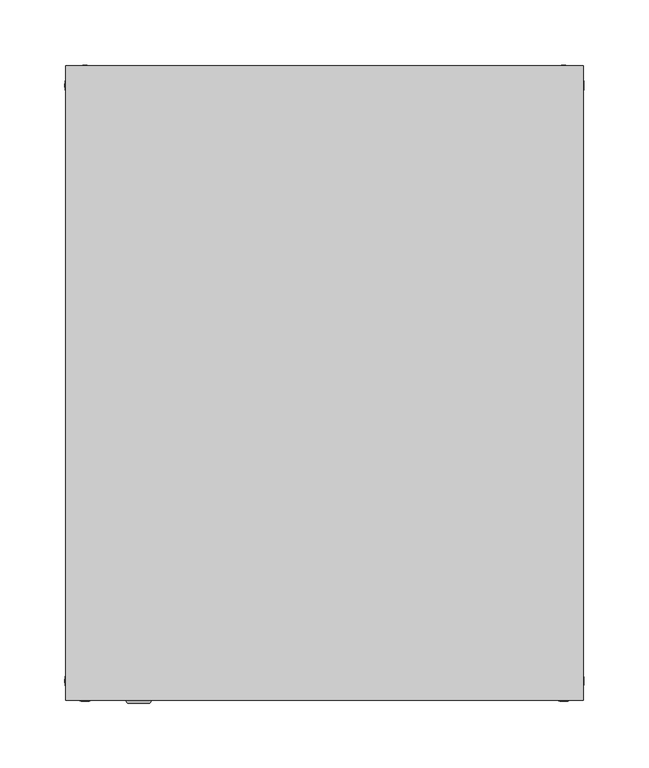
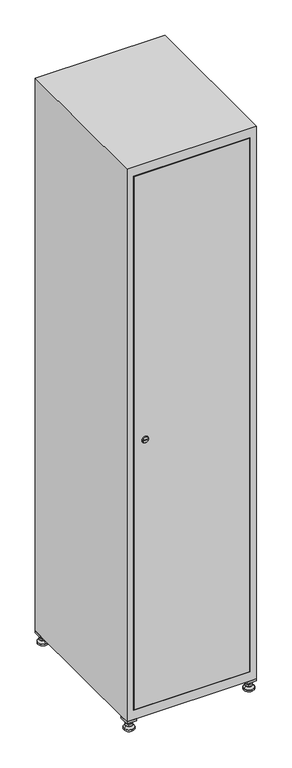
"""IFC4 building model written with IfcOpenShell, lengths in millimetres: furniture geometry."""

from ifc_helpers import new_model, si_unit, point, frame, frame_2d, origin, origin_with_axes, place, context, project, spatial, polyline, circle_curve, trimmed, segment, composite_curve, outline, extrude, faceted_brep, source, transform, mapped, element, save
from ifc_brep_helpers import plane_surface, revolved_surface, advanced_brep


def furniture_96ce3fd4(model_context):
    return source(origin(), model_context, "Body", "SolidModel", [
        extrude(outline(polyline([(200.0, 245.0), (200.0, 215.0), (170.0, 215.0), (170.0, 245.0), (200.0, 245.0)]), holes=[polyline([(198.0, 243.0), (172.0, 243.0), (172.0, 217.0), (198.0, 217.0), (198.0, 243.0)])]), frame((0.0, 0.0, 28.5), z_axis=(0.0, 0.0, 1.0), x_axis=(1.0, 0.0, 0.0)), (0.0, 0.0, 1.0), 6.5),
        extrude(outline(polyline([(170.0, -245.0), (170.0, -215.0), (200.0, -215.0), (200.0, -245.0), (170.0, -245.0)]), holes=[polyline([(172.0, -243.0), (198.0, -243.0), (198.0, -217.0), (172.0, -217.0), (172.0, -243.0)])]), frame((0.0, 0.0, 28.5), z_axis=(0.0, 0.0, 1.0), x_axis=(1.0, 0.0, 0.0)), (0.0, 0.0, 1.0), 6.5),
        extrude(outline(polyline([(-170.0, 245.0), (-170.0, 215.0), (-200.0, 215.0), (-200.0, 245.0), (-170.0, 245.0)]), holes=[polyline([(-172.0, 243.0), (-198.0, 243.0), (-198.0, 217.0), (-172.0, 217.0), (-172.0, 243.0)])]), frame((0.0, 0.0, 28.5), z_axis=(0.0, 0.0, 1.0), x_axis=(1.0, 0.0, 0.0)), (0.0, 0.0, 1.0), 6.5),
        extrude(outline(polyline([(-170.0, -215.0), (-170.0, -245.0), (-200.0, -245.0), (-200.0, -215.0), (-170.0, -215.0)]), holes=[polyline([(-198.0, -243.0), (-172.0, -243.0), (-172.0, -217.0), (-198.0, -217.0), (-198.0, -243.0)])]), frame((0.0, 0.0, 28.5), z_axis=(0.0, 0.0, 1.0), x_axis=(1.0, 0.0, 0.0)), (0.0, 0.0, 1.0), 6.5),
        extrude(outline(composite_curve([segment(trimmed(circle_curve(frame_2d((-185.0, 230.0)), 5.0), [point((-180.0, 230.0))], [point((-190.0, 230.0))], False, "CARTESIAN"), True, "CONTINUOUS"), segment(trimmed(circle_curve(frame_2d((-185.0, 230.0)), 5.0), [point((-190.0, 230.0))], [point((-180.0, 230.0))], False, "CARTESIAN"), True, "CONTINUOUS")], self_intersect=False)), frame((0.0, 0.0, 19.6), z_axis=(0.0, 0.0, 1.0), x_axis=(1.0, 0.0, 0.0)), (0.0, 0.0, 1.0), 15.4),
        extrude(outline(composite_curve([segment(trimmed(circle_curve(frame_2d((-185.0, -230.0)), 5.0), [point((-180.0, -230.0))], [point((-190.0, -230.0))], False, "CARTESIAN"), True, "CONTINUOUS"), segment(trimmed(circle_curve(frame_2d((-185.0, -230.0)), 5.0), [point((-190.0, -230.0))], [point((-180.0, -230.0))], False, "CARTESIAN"), True, "CONTINUOUS")], self_intersect=False)), frame((0.0, 0.0, 19.6), z_axis=(0.0, 0.0, 1.0), x_axis=(1.0, 0.0, 0.0)), (0.0, 0.0, 1.0), 15.4),
        extrude(outline(composite_curve([segment(trimmed(circle_curve(frame_2d((185.0, 230.0)), 5.0), [point((190.0, 230.0))], [point((180.0, 230.0))], False, "CARTESIAN"), True, "CONTINUOUS"), segment(trimmed(circle_curve(frame_2d((185.0, 230.0)), 5.0), [point((180.0, 230.0))], [point((190.0, 230.0))], False, "CARTESIAN"), True, "CONTINUOUS")], self_intersect=False)), frame((0.0, 0.0, 19.6), z_axis=(0.0, 0.0, 1.0), x_axis=(1.0, 0.0, 0.0)), (0.0, 0.0, 1.0), 15.4),
        extrude(outline(polyline([(173.4529946, 230.0), (179.2264973, 240.0), (190.7735027, 240.0), (196.5470054, 230.0), (190.7735027, 220.0), (179.2264973, 220.0), (173.4529946, 230.0)])), frame((0.0, 0.0, 13.6), z_axis=(0.0, 0.0, 1.0), x_axis=(1.0, 0.0, 0.0)), (0.0, 0.0, 1.0), 6.0),
        extrude(outline(composite_curve([segment(trimmed(circle_curve(frame_2d((185.0, -230.0)), 5.0), [point((190.0, -230.0))], [point((180.0, -230.0))], False, "CARTESIAN"), True, "CONTINUOUS"), segment(trimmed(circle_curve(frame_2d((185.0, -230.0)), 5.0), [point((180.0, -230.0))], [point((190.0, -230.0))], False, "CARTESIAN"), True, "CONTINUOUS")], self_intersect=False)), frame((0.0, 0.0, 19.6), z_axis=(0.0, 0.0, 1.0), x_axis=(1.0, 0.0, 0.0)), (0.0, 0.0, 1.0), 15.4),
        extrude(outline(polyline([(173.4529946, -230.0), (179.2264973, -220.0), (190.7735027, -220.0), (196.5470054, -230.0), (190.7735027, -240.0), (179.2264973, -240.0), (173.4529946, -230.0)])), frame((0.0, 0.0, 13.6), z_axis=(0.0, 0.0, 1.0), x_axis=(1.0, 0.0, 0.0)), (0.0, 0.0, 1.0), 6.0),
        extrude(outline(composite_curve([segment(trimmed(circle_curve(frame_2d((185.0, 230.0)), 5.0), [point((190.0, 230.0))], [point((180.0, 230.0))], False, "CARTESIAN"), True, "CONTINUOUS"), segment(trimmed(circle_curve(frame_2d((185.0, 230.0)), 5.0), [point((180.0, 230.0))], [point((190.0, 230.0))], False, "CARTESIAN"), True, "CONTINUOUS")], self_intersect=False)), frame((0.0, 0.0, 12.1), z_axis=(0.0, 0.0, 1.0), x_axis=(1.0, 0.0, 0.0)), (0.0, 0.0, 1.0), 1.5),
        extrude(outline(composite_curve([segment(trimmed(circle_curve(frame_2d((185.0, -230.0)), 5.0), [point((190.0, -230.0))], [point((180.0, -230.0))], False, "CARTESIAN"), True, "CONTINUOUS"), segment(trimmed(circle_curve(frame_2d((185.0, -230.0)), 5.0), [point((180.0, -230.0))], [point((190.0, -230.0))], False, "CARTESIAN"), True, "CONTINUOUS")], self_intersect=False)), frame((0.0, 0.0, 12.1), z_axis=(0.0, 0.0, 1.0), x_axis=(1.0, 0.0, 0.0)), (0.0, 0.0, 1.0), 1.5),
        extrude(outline(polyline([(-196.5470054, 230.0), (-190.7735027, 240.0), (-179.2264973, 240.0), (-173.4529946, 230.0), (-179.2264973, 220.0), (-190.7735027, 220.0), (-196.5470054, 230.0)])), frame((0.0, 0.0, 13.6), z_axis=(0.0, 0.0, 1.0), x_axis=(1.0, 0.0, 0.0)), (0.0, 0.0, 1.0), 6.0),
        extrude(outline(polyline([(-196.5470054, -230.0), (-190.7735027, -220.0), (-179.2264973, -220.0), (-173.4529946, -230.0), (-179.2264973, -240.0), (-190.7735027, -240.0), (-196.5470054, -230.0)])), frame((0.0, 0.0, 13.6), z_axis=(0.0, 0.0, 1.0), x_axis=(1.0, 0.0, 0.0)), (0.0, 0.0, 1.0), 6.0),
        extrude(outline(composite_curve([segment(trimmed(circle_curve(frame_2d((-185.0, 230.0)), 5.0), [point((-185.0, 235.0))], [point((-185.0, 225.0))], False, "CARTESIAN"), True, "CONTINUOUS"), segment(trimmed(circle_curve(frame_2d((-185.0, 230.0)), 5.0), [point((-185.0, 225.0))], [point((-185.0, 235.0))], False, "CARTESIAN"), True, "CONTINUOUS")], self_intersect=False)), frame((0.0, 0.0, 12.1), z_axis=(0.0, 0.0, 1.0), x_axis=(1.0, 0.0, 0.0)), (0.0, 0.0, 1.0), 1.5),
        extrude(outline(composite_curve([segment(trimmed(circle_curve(frame_2d((-185.0, -230.0)), 5.0), [point((-180.0, -230.0))], [point((-190.0, -230.0))], False, "CARTESIAN"), True, "CONTINUOUS"), segment(trimmed(circle_curve(frame_2d((-185.0, -230.0)), 5.0), [point((-190.0, -230.0))], [point((-180.0, -230.0))], False, "CARTESIAN"), True, "CONTINUOUS")], self_intersect=False)), frame((0.0, 0.0, 12.1), z_axis=(0.0, 0.0, 1.0), x_axis=(1.0, 0.0, 0.0)), (0.0, 0.0, 1.0), 1.5),
        extrude(outline(composite_curve([segment(trimmed(circle_curve(frame_2d((185.0, 230.0)), 15.75), [point((200.75, 230.0))], [point((169.25, 230.0))], False, "CARTESIAN"), True, "CONTINUOUS"), segment(trimmed(circle_curve(frame_2d((185.0, 230.0)), 15.75), [point((169.25, 230.0))], [point((200.75, 230.0))], False, "CARTESIAN"), True, "CONTINUOUS")], self_intersect=False)), origin_with_axes(), (0.0, 0.0, 1.0), 5.1),
        extrude(outline(composite_curve([segment(trimmed(circle_curve(frame_2d((185.0, -230.0)), 15.75), [point((185.0, -214.25))], [point((185.0, -245.75))], False, "CARTESIAN"), True, "CONTINUOUS"), segment(trimmed(circle_curve(frame_2d((185.0, -230.0)), 15.75), [point((185.0, -245.75))], [point((185.0, -214.25))], False, "CARTESIAN"), True, "CONTINUOUS")], self_intersect=False)), origin_with_axes(), (0.0, 0.0, 1.0), 5.1),
        extrude(outline(composite_curve([segment(trimmed(circle_curve(frame_2d((-185.0, -230.0)), 15.75), [point((-169.25, -230.0))], [point((-200.75, -230.0))], False, "CARTESIAN"), True, "CONTINUOUS"), segment(trimmed(circle_curve(frame_2d((-185.0, -230.0)), 15.75), [point((-200.75, -230.0))], [point((-169.25, -230.0))], False, "CARTESIAN"), True, "CONTINUOUS")], self_intersect=False)), origin_with_axes(), (0.0, 0.0, 1.0), 5.1),
        extrude(outline(composite_curve([segment(trimmed(circle_curve(frame_2d((-185.0, 230.0)), 15.75), [point((-169.25, 230.0))], [point((-200.75, 230.0))], False, "CARTESIAN"), True, "CONTINUOUS"), segment(trimmed(circle_curve(frame_2d((-185.0, 230.0)), 15.75), [point((-200.75, 230.0))], [point((-169.25, 230.0))], False, "CARTESIAN"), True, "CONTINUOUS")], self_intersect=False)), origin_with_axes(), (0.0, 0.0, 1.0), 5.1),
        advanced_brep(
        [(-185.0, 245.75, 5.1), (-185.0, 214.25, 5.1), (-185.0, 239.5, 12.1), (-185.0, 220.5, 12.1)],
        [
            (0, 1, circle_curve(frame((-185.0, 230.0, 5.1), z_axis=(0.0, 0.0, -1.0), x_axis=(0.0, 1.0, 0.0)), 15.75)),
            (1, 0, circle_curve(frame((-185.0, 230.0, 5.1), z_axis=(0.0, 0.0, -1.0), x_axis=(0.0, -1.0, 0.0)), 15.75)),
            (2, 3, circle_curve(frame((-185.0, 230.0, 12.1), z_axis=(0.0, 0.0, 1.0), x_axis=(0.0, -1.0, 0.0)), 9.5)),
            (3, 2, circle_curve(frame((-185.0, 230.0, 12.1), z_axis=(0.0, 0.0, 1.0), x_axis=(0.0, 1.0, 0.0)), 9.5)),
            (3, 1),
            (0, 2),
        ],
        [
            plane_surface(frame((-185.0, 230.0, 5.1), z_axis=(0.0, 0.0, -1.0), x_axis=(1.0, 0.0, 0.0))),
            plane_surface(frame((-185.0, 230.0, 12.1), z_axis=(0.0, 0.0, 1.0), x_axis=(1.0, 0.0, 0.0))),
            revolved_surface(polyline([(-185.0, 220.5, 12.099999999999998), (-185.0, 214.25, 5.099999999999998)]), (-185.0, 230.0, 22.74), (0.0, 0.0, -1.0)),
            revolved_surface(polyline([(-185.0, 239.5, 12.099999999999998), (-185.0, 245.75, 5.099999999999998)]), (-185.0, 230.0, 22.74), (0.0, 0.0, -1.0)),
        ],
        [
            (0, [[1, 2]]),
            (1, [[3, 4]]),
            (2, [[-4, 5, -1, 6]]),
            (3, [[-3, -6, -2, -5]]),
        ],
    ),
        advanced_brep(
        [(185.0, 245.75, 5.1), (185.0, 214.25, 5.1), (185.0, 239.5, 12.1), (185.0, 220.5, 12.1)],
        [
            (0, 1, circle_curve(frame((185.0, 230.0, 5.1), z_axis=(0.0, 0.0, -1.0), x_axis=(0.0, 1.0, 0.0)), 15.75)),
            (1, 0, circle_curve(frame((185.0, 230.0, 5.1), z_axis=(0.0, 0.0, -1.0), x_axis=(0.0, -1.0, 0.0)), 15.75)),
            (2, 3, circle_curve(frame((185.0, 230.0, 12.1), z_axis=(0.0, 0.0, 1.0), x_axis=(0.0, -1.0, 0.0)), 9.5)),
            (3, 2, circle_curve(frame((185.0, 230.0, 12.1), z_axis=(0.0, 0.0, 1.0), x_axis=(0.0, 1.0, 0.0)), 9.5)),
            (3, 1),
            (0, 2),
        ],
        [
            plane_surface(frame((185.0, 230.0, 5.1), z_axis=(0.0, 0.0, -1.0), x_axis=(1.0, 0.0, 0.0))),
            plane_surface(frame((185.0, 230.0, 12.1), z_axis=(0.0, 0.0, 1.0), x_axis=(1.0, 0.0, 0.0))),
            revolved_surface(polyline([(185.0, 220.5, 12.099999999999998), (185.0, 214.25, 5.099999999999998)]), (185.0, 230.0, 22.74), (0.0, 0.0, -1.0)),
            revolved_surface(polyline([(185.0, 239.5, 12.099999999999998), (185.0, 245.75, 5.099999999999998)]), (185.0, 230.0, 22.74), (0.0, 0.0, -1.0)),
        ],
        [
            (0, [[1, 2]]),
            (1, [[3, 4]]),
            (2, [[-4, 5, -1, 6]]),
            (3, [[-3, -6, -2, -5]]),
        ],
    ),
        advanced_brep(
        [(194.5, -230.0, 12.1), (175.5, -230.0, 12.1), (200.75, -230.0, 5.1), (169.25, -230.0, 5.1)],
        [
            (0, 1, circle_curve(frame((185.0, -230.0, 12.1), z_axis=(0.0, 0.0, 1.0), x_axis=(1.0, 0.0, 0.0)), 9.5)),
            (1, 0, circle_curve(frame((185.0, -230.0, 12.1), z_axis=(0.0, 0.0, 1.0), x_axis=(-1.0, 0.0, 0.0)), 9.5)),
            (2, 3, circle_curve(frame((185.0, -230.0, 5.1), z_axis=(0.0, 0.0, -1.0), x_axis=(-1.0, 0.0, 0.0)), 15.75)),
            (3, 2, circle_curve(frame((185.0, -230.0, 5.1), z_axis=(0.0, 0.0, -1.0), x_axis=(1.0, 0.0, 0.0)), 15.75)),
            (3, 1),
            (0, 2),
        ],
        [
            plane_surface(frame((185.0, -230.0, 12.1), z_axis=(0.0, 0.0, 1.0), x_axis=(0.0, 1.0, 0.0))),
            plane_surface(frame((185.0, -230.0, 5.1), z_axis=(0.0, 0.0, -1.0), x_axis=(0.0, 1.0, 0.0))),
            revolved_surface(polyline([(194.5, -230.0, 12.099999999999998), (200.75, -230.0, 5.099999999999998)]), (185.0, -230.0, 22.74), (0.0, 0.0, -1.0)),
            revolved_surface(polyline([(175.5, -230.0, 12.099999999999998), (169.25, -230.0, 5.099999999999998)]), (185.0, -230.0, 22.74), (0.0, 0.0, -1.0)),
        ],
        [
            (0, [[1, 2]]),
            (1, [[3, 4]]),
            (2, [[-4, 5, -1, 6]]),
            (3, [[-3, -6, -2, -5]]),
        ],
    ),
        advanced_brep(
        [(-175.5, -230.0, 12.1), (-194.5, -230.0, 12.1), (-169.25, -230.0, 5.1), (-200.75, -230.0, 5.1)],
        [
            (0, 1, circle_curve(frame((-185.0, -230.0, 12.1), z_axis=(0.0, 0.0, 1.0), x_axis=(1.0, 0.0, 0.0)), 9.5)),
            (1, 0, circle_curve(frame((-185.0, -230.0, 12.1), z_axis=(0.0, 0.0, 1.0), x_axis=(-1.0, 0.0, 0.0)), 9.5)),
            (2, 3, circle_curve(frame((-185.0, -230.0, 5.1), z_axis=(0.0, 0.0, -1.0), x_axis=(-1.0, 0.0, 0.0)), 15.75)),
            (3, 2, circle_curve(frame((-185.0, -230.0, 5.1), z_axis=(0.0, 0.0, -1.0), x_axis=(1.0, 0.0, 0.0)), 15.75)),
            (3, 1),
            (0, 2),
        ],
        [
            plane_surface(frame((-185.0, -230.0, 12.1), z_axis=(0.0, 0.0, 1.0), x_axis=(0.0, 1.0, 0.0))),
            plane_surface(frame((-185.0, -230.0, 5.1), z_axis=(0.0, 0.0, -1.0), x_axis=(0.0, 1.0, 0.0))),
            revolved_surface(polyline([(-175.5, -230.0, 12.099999999999998), (-169.25, -230.0, 5.099999999999998)]), (-185.0, -230.0, 22.74), (0.0, 0.0, -1.0)),
            revolved_surface(polyline([(-194.5, -230.0, 12.099999999999998), (-200.75, -230.0, 5.099999999999998)]), (-185.0, -230.0, 22.74), (0.0, 0.0, -1.0)),
        ],
        [
            (0, [[1, 2]]),
            (1, [[3, 4]]),
            (2, [[-4, 5, -1, 6]]),
            (3, [[-3, -6, -2, -5]]),
        ],
    ),
        extrude(outline(composite_curve([segment(trimmed(circle_curve(frame_2d((935.0, -170.3989466)), 7.0), [point((942.0, -170.3989466))], [point((928.0, -170.3989466))], False, "CARTESIAN"), True, "CONTINUOUS"), segment(polyline([(928.0, -170.3989466), (928.0, -142.3989466)]), True, "CONTINUOUS"), segment(trimmed(circle_curve(frame_2d((935.0, -142.3989466)), 7.0), [point((928.0, -142.3989466))], [point((942.0, -142.3989466))], False, "CARTESIAN"), True, "CONTINUOUS"), segment(polyline([(942.0, -142.3989466), (942.0, -170.3989466)]), True, "CONTINUOUS")], self_intersect=False)), frame((0.0, -227.0, 0.0), z_axis=(0.0, 1.0, 0.0), x_axis=(0.0, 0.0, 1.0)), (0.0, 0.0, 1.0), 2.0),
        advanced_brep(
        [(-135.1, -247.2, 935.0), (-152.1, -247.2, 935.0), (-148.6, -247.2, 933.75), (-148.6, -247.2, 936.25), (-138.6, -247.2, 936.25), (-138.6, -247.2, 933.75), (-133.1, -245.0, 935.0), (-154.1, -245.0, 935.0), (-148.6, -245.0, 936.25), (-148.6, -245.0, 933.75), (-138.6, -245.0, 933.75), (-138.6, -245.0, 936.25)],
        [
            (0, 1, circle_curve(frame((-143.6, -247.2, 935.0), z_axis=(0.0, -1.0, 0.0), x_axis=(1.0, 0.0, 0.0)), 8.5)),
            (1, 0, circle_curve(frame((-143.6, -247.2, 935.0), z_axis=(0.0, -1.0, 0.0), x_axis=(-1.0, 0.0, 0.0)), 8.5)),
            (2, 3),
            (3, 4),
            (4, 5),
            (5, 2),
            (6, 7, circle_curve(frame((-143.6, -245.0, 935.0), z_axis=(0.0, 1.0, 0.0), x_axis=(-1.0, 0.0, 0.0)), 10.5)),
            (7, 6, circle_curve(frame((-143.6, -245.0, 935.0), z_axis=(0.0, 1.0, 0.0), x_axis=(1.0, 0.0, 0.0)), 10.5)),
            (8, 9),
            (9, 10),
            (10, 11),
            (11, 8),
            (0, 6),
            (7, 1),
            (8, 3),
            (2, 9),
            (11, 4),
            (10, 5),
        ],
        [
            plane_surface(frame((-143.6, -247.2, 935.0), z_axis=(0.0, -1.0, 0.0), x_axis=(0.0, 0.0, 1.0))),
            plane_surface(frame((-143.6, -245.0, 935.0), z_axis=(0.0, 1.0, 0.0), x_axis=(0.0, 0.0, 1.0))),
            revolved_surface(polyline([(-135.1, -247.2, 935.0), (-133.1, -245.0, 935.0)]), (-143.6, -256.55, 935.0), (0.0, 1.0, 0.0)),
            revolved_surface(polyline([(-152.1, -247.2, 935.0), (-154.1, -245.0, 935.0)]), (-143.6, -256.55, 935.0), (0.0, 1.0, 0.0)),
            plane_surface(frame((-148.6, -245.0, 933.75), z_axis=(1.0, 0.0, 0.0), x_axis=(0.0, -1.0, 0.0))),
            plane_surface(frame((-148.6, -245.0, 936.25), z_axis=(0.0, 0.0, -1.0), x_axis=(0.0, -1.0, 0.0))),
            plane_surface(frame((-138.6, -245.0, 936.25), z_axis=(-1.0, 0.0, 0.0), x_axis=(0.0, -1.0, 0.0))),
            plane_surface(frame((-138.6, -245.0, 933.75), z_axis=(0.0, 0.0, 1.0), x_axis=(0.0, -1.0, 0.0))),
        ],
        [
            (0, [[1, 2], [3, 4, 5, 6]]),
            (1, [[7, 8], [9, 10, 11, 12]]),
            (2, [[-1, 13, -8, 14]]),
            (3, [[-2, -14, -7, -13]]),
            (4, [[15, -3, 16, -9]]),
            (5, [[-15, -12, 17, -4]]),
            (6, [[-17, -11, 18, -5]]),
            (7, [[-16, -6, -18, -10]]),
        ],
    ),
        extrude(outline(polyline([(178.6, -227.0), (178.6, -245.0), (-178.6, -245.0), (-178.6, -227.0), (178.6, -227.0)])), frame((0.0, 0.0, 66.2), z_axis=(0.0, 0.0, 1.0), x_axis=(1.0, 0.0, 0.0)), (0.0, 0.0, 1.0), 1737.6),
        faceted_brep([(200.0, -245.0, 35.0), (200.0, -245.0, 1835.0), (-200.0, -245.0, 1835.0), (-200.0, -245.0, 35.0), (179.6, -245.0, 1804.8), (179.6, -245.0, 65.2), (-179.6, -245.0, 65.2), (-179.6, -245.0, 1804.8), (200.0, 245.0, 35.0), (-200.0, 245.0, 35.0), (200.0, 245.0, 1835.0), (-200.0, 245.0, 1835.0), (179.6, 242.0, 1804.8), (179.6, 242.0, 65.2), (-200.0, 245.0, 1804.8), (-179.6, 242.0, 1804.8), (-179.6, 242.0, 65.2)], [[[0, 1, 2, 3], [4, 5, 6, 7]], [[8, 0, 3, 9]], [[1, 0, 8, 10]], [[1, 10, 11, 2]], [[4, 12, 13, 5]], [[9, 3, 2, 11, 14]], [[10, 8, 9, 14, 11]], [[12, 15, 16, 13]], [[15, 7, 6, 16]], [[4, 7, 15, 12]], [[6, 5, 13, 16]]]),
    ])


if __name__ == "__main__":
    model = new_model("IFC4")
    model_context = context("Model", 3, world=origin())
    ifc_project = project(units=[si_unit("LENGTHUNIT", "METRE", prefix="MILLI")], contexts=[model_context])
    site = spatial("IfcSite", under=ifc_project)
    building = spatial("IfcBuilding", under=site)
    placement = place(None, origin())
    furniture_shape = furniture_96ce3fd4(model_context)
    element("IfcFurniture", 1, at=placement, inside=building, context=model_context, shape_type="MappedRepresentation", body=[
        mapped(furniture_shape, transform((0.0, 0.0, 0.0), x_axis=(1.0, 0.0, 0.0), y_axis=(0.0, 1.0, 0.0), z_axis=(0.0, 0.0, 1.0))),
    ])
    save(model, "model.ifc")
